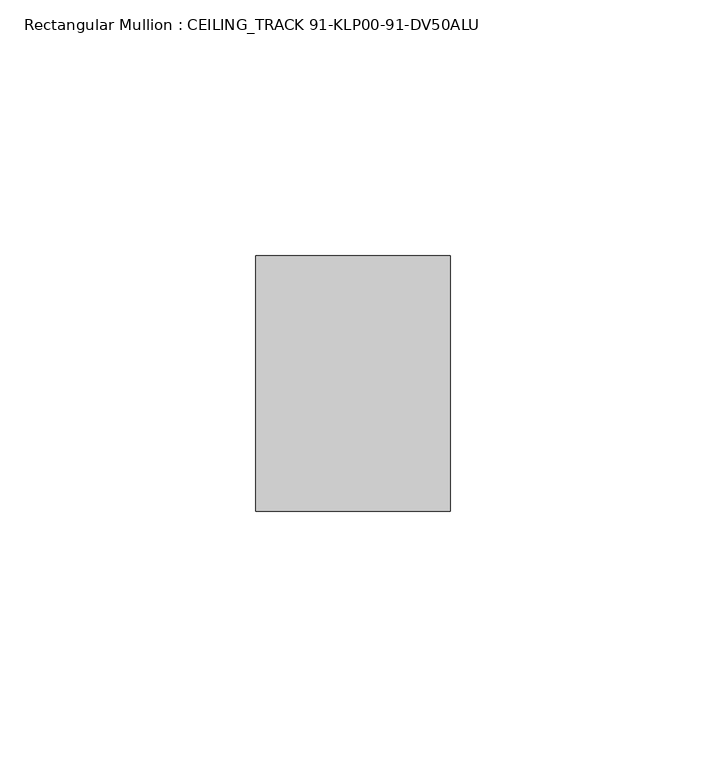
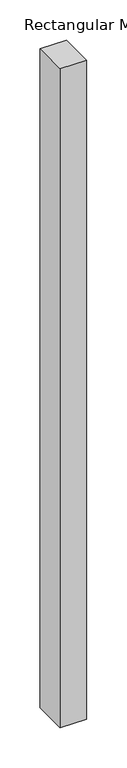
"""IFC4 building model written with IfcOpenShell, lengths in millimetres: member geometry, Rectangular Mullion : CEILING_TRACK 91-KLP00-91-DV50ALU."""

from ifc_helpers import new_model, si_unit, frame, origin, place, context, project, spatial, polyline, outline, extrude, source, transform, mapped, element, save


def rectangular_mullion_ceiling_track_91_klp00_91_dv50alu_f2a2085d(model_context):
    return source(origin(), model_context, "Body", "SweptSolid", [
        extrude(outline(polyline([(0.0, -25.0), (-38.0, -25.0), (-38.0, 25.0), (0.0, 25.0), (0.0, -25.0)])), frame((0.0, 0.0, -1000.0), z_axis=(0.0, 0.0, 1.0), x_axis=(1.0, 0.0, 0.0)), (0.0, 0.0, 1.0), 1000.0),
    ])


if __name__ == "__main__":
    model = new_model("IFC4")
    model_context = context("Model", 3, world=origin())
    ifc_project = project(units=[si_unit("LENGTHUNIT", "METRE", prefix="MILLI")], contexts=[model_context])
    site = spatial("IfcSite", under=ifc_project)
    building = spatial("IfcBuilding", under=site)
    placement = place(None, origin())
    rectangular_mullion_ceiling_track_91_klp00_91_dv50alu_shape = rectangular_mullion_ceiling_track_91_klp00_91_dv50alu_f2a2085d(model_context)
    element("IfcMember", 1, ObjectType="Rectangular Mullion : CEILING_TRACK 91-KLP00-91-DV50ALU", at=placement, inside=building, context=model_context, shape_type="MappedRepresentation", body=[
        mapped(rectangular_mullion_ceiling_track_91_klp00_91_dv50alu_shape, transform((0.0, 0.0, 0.0), x_axis=(1.0, 0.0, 0.0), y_axis=(0.0, 1.0, 0.0), z_axis=(0.0, 0.0, 1.0))),
    ])
    save(model, "model.ifc")
